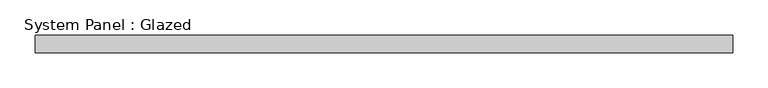
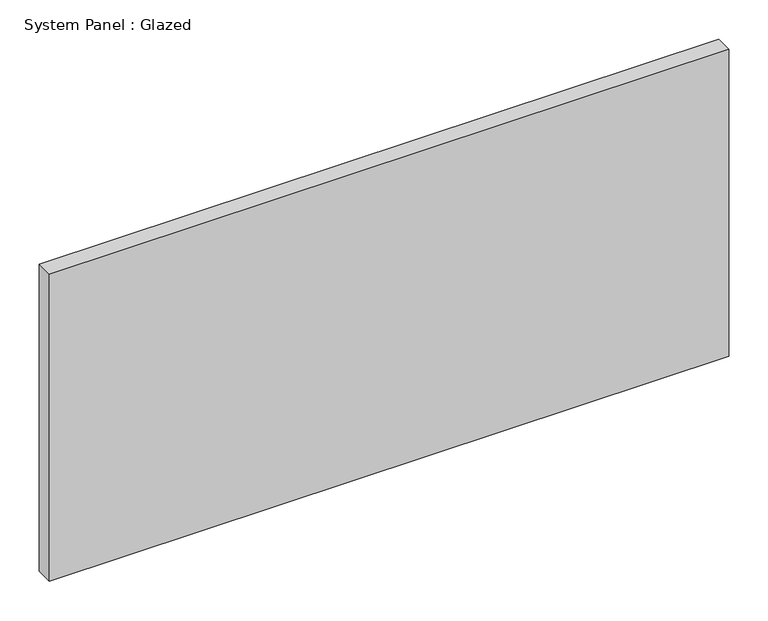
"""IFC4 building model written with IfcOpenShell, lengths in millimetres: plate geometry, System Panel : Glazed."""

from ifc_helpers import new_model, si_unit, origin, origin_with_axes, place, context, project, spatial, polyline, outline, extrude, source, transform, mapped, element, save


def system_panel_glazed_19b95e72(model_context):
    return source(origin(), model_context, "Body", "SweptSolid", [
        extrude(outline(polyline([(498.475, -12.7), (-498.475, -12.7), (-498.475, 12.7), (498.475, 12.7), (498.475, -12.7)])), origin_with_axes(), (0.0, 0.0, 1.0), 476.25),
    ])


if __name__ == "__main__":
    model = new_model("IFC4")
    model_context = context("Model", 3, world=origin())
    ifc_project = project(units=[si_unit("LENGTHUNIT", "METRE", prefix="MILLI")], contexts=[model_context])
    site = spatial("IfcSite", under=ifc_project)
    building = spatial("IfcBuilding", under=site)
    placement = place(None, origin())
    system_panel_glazed_shape = system_panel_glazed_19b95e72(model_context)
    element("IfcPlate", 1, ObjectType="System Panel : Glazed", at=placement, inside=building, context=model_context, shape_type="MappedRepresentation", body=[
        mapped(system_panel_glazed_shape, transform((0.0, 0.0, 0.0), x_axis=(1.0, 0.0, 0.0), y_axis=(0.0, 1.0, 0.0), z_axis=(0.0, 0.0, 1.0))),
    ])
    save(model, "model.ifc")
